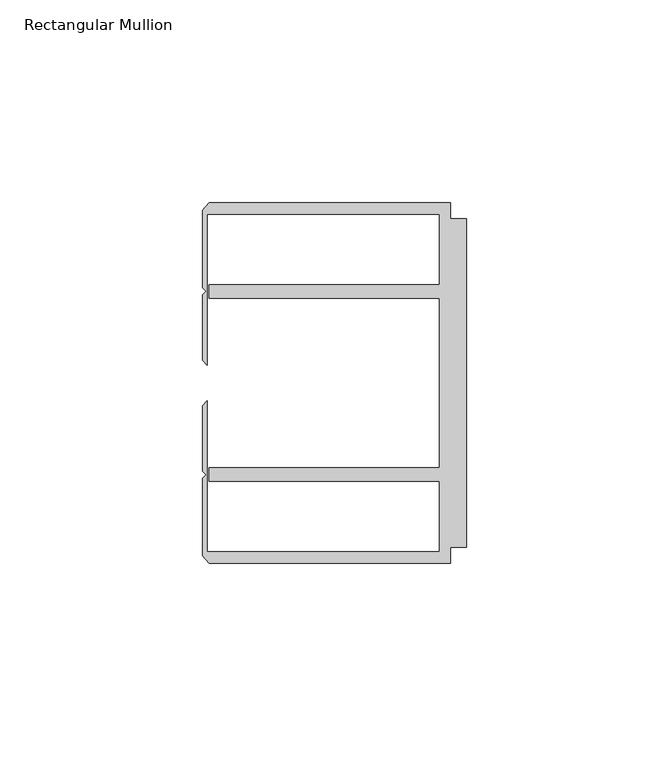
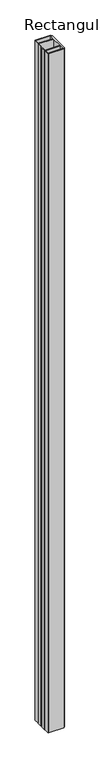
"""IFC4 building model written with IfcOpenShell, lengths in millimetres: member geometry, Rectangular Mullion."""

from ifc_helpers import new_model, si_unit, frame, origin, place, context, project, spatial, polyline, outline, extrude, source, transform, mapped, element, save


def rectangular_mullion_8ba2ae4b(model_context):
    return source(origin(), model_context, "Body", "SweptSolid", [
        extrude(outline(polyline([(-4.0000001, 44.45), (-4.0000001, 40.4500013), (0.0, 40.4500013), (0.0, -40.4500013), (-4.0000001, -40.4500013), (-4.0000001, -44.45), (-63.5, -44.45), (-65.0875, -42.5778955), (-65.0875, -23.53206), (-64.1791674, -22.6237274), (-65.0875, -21.7153948), (-65.0875, -5.55625), (-63.9424102, -4.4111602), (-63.9424102, -41.6500013), (-6.6000002, -41.6500013), (-6.6000002, -24.2500008), (-63.5, -24.2500008), (-63.5, -20.9500007), (-6.6000002, -20.9500007), (-6.6000002, 20.9500007), (-63.5, 20.9500007), (-63.5, 24.2500008), (-6.6000002, 24.2500008), (-6.6000002, 41.6500013), (-63.9424102, 41.6500013), (-63.9424102, 4.4111602), (-65.0875, 5.55625), (-65.0875, 21.7153948), (-64.1791674, 22.6237274), (-65.0875, 23.53206), (-65.0875, 42.5778955), (-63.5, 44.45), (-4.0000001, 44.45)])), frame((0.0, 0.0, -2743.2), z_axis=(0.0, 0.0, 1.0), x_axis=(1.0, 0.0, 0.0)), (0.0, 0.0, 1.0), 2743.2),
    ])


if __name__ == "__main__":
    model = new_model("IFC4")
    model_context = context("Model", 3, world=origin())
    ifc_project = project(units=[si_unit("LENGTHUNIT", "METRE", prefix="MILLI")], contexts=[model_context])
    site = spatial("IfcSite", under=ifc_project)
    building = spatial("IfcBuilding", under=site)
    placement = place(None, origin())
    rectangular_mullion_shape = rectangular_mullion_8ba2ae4b(model_context)
    element("IfcMember", 1, ObjectType="Rectangular Mullion", at=placement, inside=building, context=model_context, shape_type="MappedRepresentation", body=[
        mapped(rectangular_mullion_shape, transform((0.0, 0.0, 0.0), x_axis=(1.0, 0.0, 0.0), y_axis=(0.0, 1.0, 0.0), z_axis=(0.0, 0.0, 1.0))),
    ])
    save(model, "model.ifc")
